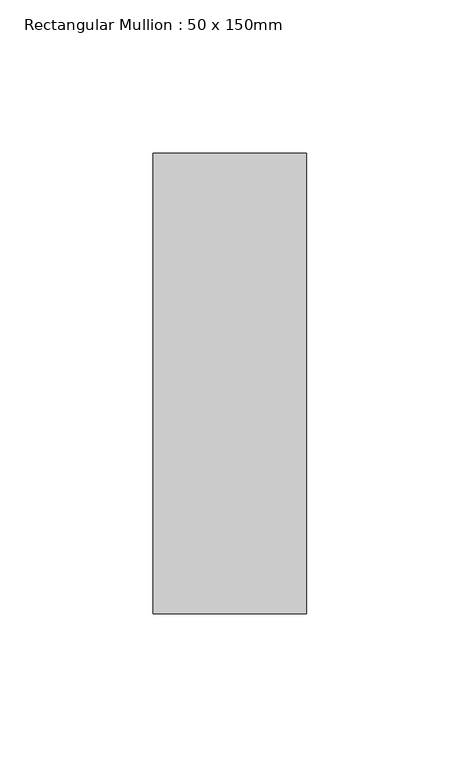
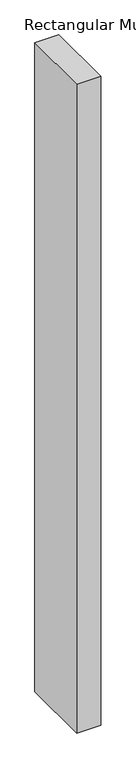
"""IFC4 building model written with IfcOpenShell, lengths in millimetres: member geometry, Rectangular Mullion : 50 x 150mm."""

from ifc_helpers import new_model, si_unit, frame, origin, place, context, project, spatial, polyline, outline, extrude, source, transform, mapped, element, save


def rectangular_mullion_50_x_150mm_1f4d75dd(model_context):
    return source(origin(), model_context, "Body", "SweptSolid", [
        extrude(outline(polyline([(25.0, 75.0), (25.0, -75.0), (-25.0, -75.0), (-25.0, 75.0), (25.0, 75.0)])), frame((0.0, 0.0, -1425.0), z_axis=(0.0, 0.0, 1.0), x_axis=(1.0, 0.0, 0.0)), (0.0, 0.0, 1.0), 1425.0),
    ])


if __name__ == "__main__":
    model = new_model("IFC4")
    model_context = context("Model", 3, world=origin())
    ifc_project = project(units=[si_unit("LENGTHUNIT", "METRE", prefix="MILLI")], contexts=[model_context])
    site = spatial("IfcSite", under=ifc_project)
    building = spatial("IfcBuilding", under=site)
    placement = place(None, origin())
    rectangular_mullion_50_x_150mm_shape = rectangular_mullion_50_x_150mm_1f4d75dd(model_context)
    element("IfcMember", 1, ObjectType="Rectangular Mullion : 50 x 150mm", at=placement, inside=building, context=model_context, shape_type="MappedRepresentation", body=[
        mapped(rectangular_mullion_50_x_150mm_shape, transform((0.0, 0.0, 0.0), x_axis=(1.0, 0.0, 0.0), y_axis=(0.0, 1.0, 0.0), z_axis=(0.0, 0.0, 1.0))),
    ])
    save(model, "model.ifc")
